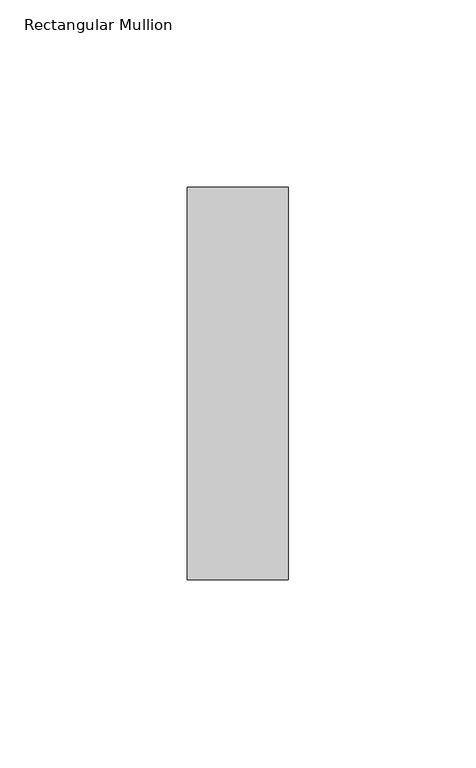
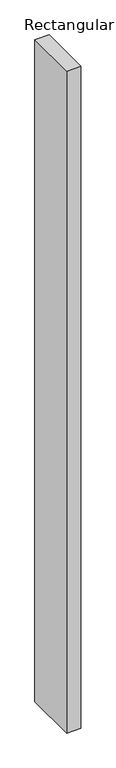
"""IFC4 building model written with IfcOpenShell, lengths in millimetres: member geometry, Rectangular Mullion."""

from ifc_helpers import new_model, si_unit, frame, origin, place, context, project, spatial, polyline, outline, extrude, source, transform, mapped, element, save


def rectangular_mullion_d6473509(model_context):
    return source(origin(), model_context, "Body", "SweptSolid", [
        extrude(outline(polyline([(0.0, 52.3975), (0.0, -52.3975), (-27.0, -52.3975), (-27.0, 52.3975), (0.0, 52.3975)])), frame((0.0, 0.0, -1336.1695379), z_axis=(0.0, 0.0, 1.0), x_axis=(1.0, 0.0, 0.0)), (0.0, 0.0, 1.0), 1336.1695379),
    ])


if __name__ == "__main__":
    model = new_model("IFC4")
    model_context = context("Model", 3, world=origin())
    ifc_project = project(units=[si_unit("LENGTHUNIT", "METRE", prefix="MILLI")], contexts=[model_context])
    site = spatial("IfcSite", under=ifc_project)
    building = spatial("IfcBuilding", under=site)
    placement = place(None, origin())
    rectangular_mullion_shape = rectangular_mullion_d6473509(model_context)
    element("IfcMember", 1, ObjectType="Rectangular Mullion", at=placement, inside=building, context=model_context, shape_type="MappedRepresentation", body=[
        mapped(rectangular_mullion_shape, transform((0.0, 0.0, 0.0), x_axis=(1.0, 0.0, 0.0), y_axis=(0.0, 1.0, 0.0), z_axis=(0.0, 0.0, 1.0))),
    ])
    save(model, "model.ifc")
